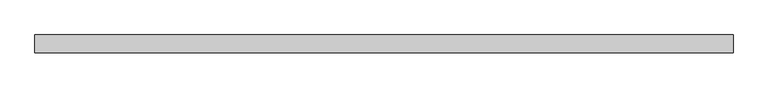
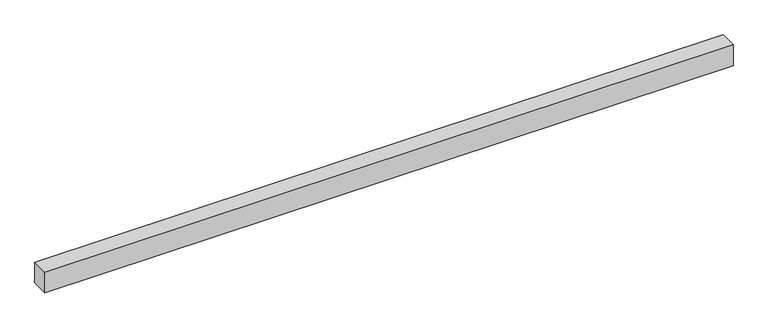
"""IFC4 building model written with IfcOpenShell, lengths in millimetres: proxy geometry."""

from ifc_helpers import new_model, si_unit, frame, origin, place, context, project, spatial, polyline, outline, extrude, source, transform, mapped, element, save


def generic_models_3c9668ba(model_context):
    return source(origin(), model_context, "Body", "SweptSolid", [
        extrude(outline(polyline([(40.0, 0.0), (-40.0, 0.0), (-40.0, 3154.3228899), (40.0, 3154.3228899), (40.0, 0.0)])), frame((3154.3228899, 0.0, 0.0), z_axis=(0.0, -1.9783474858313244e-12, 1.0), x_axis=(0.0, 1.0, 1.9783474858313244e-12)), (0.0, 0.0, 1.0), 100.0),
    ])


if __name__ == "__main__":
    model = new_model("IFC4")
    model_context = context("Model", 3, world=origin())
    ifc_project = project(units=[si_unit("LENGTHUNIT", "METRE", prefix="MILLI")], contexts=[model_context])
    site = spatial("IfcSite", under=ifc_project)
    building = spatial("IfcBuilding", under=site)
    placement = place(None, origin())
    generic_models_shape = generic_models_3c9668ba(model_context)
    element("IfcBuildingElementProxy", 1, Name="Generic Models", at=placement, inside=building, context=model_context, shape_type="MappedRepresentation", body=[
        mapped(generic_models_shape, transform((0.0, 0.0, 0.0), x_axis=(1.0, 0.0, 0.0), y_axis=(0.0, 1.0, 0.0), z_axis=(0.0, 0.0, 1.0))),
    ])
    save(model, "model.ifc")
